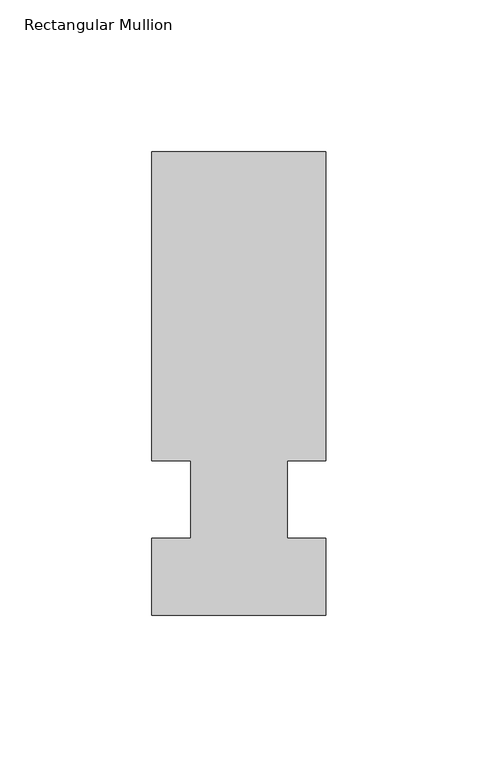
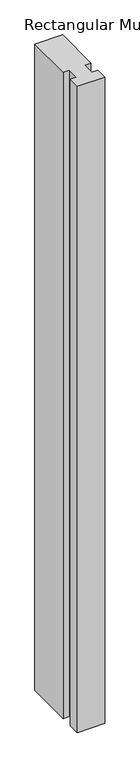
"""IFC4 building model written with IfcOpenShell, lengths in millimetres: member geometry, Rectangular Mullion."""

from ifc_helpers import new_model, si_unit, frame, origin, place, context, project, spatial, polyline, outline, extrude, source, transform, mapped, element, save


def rectangular_mullion_88173244(model_context):
    return source(origin(), model_context, "Body", "SweptSolid", [
        extrude(outline(polyline([(32.9094027, 114.3), (32.9094027, 12.7), (20.2076322, 12.7), (20.2076322, -12.7), (32.9094027, -12.7), (32.9094027, -38.1), (-24.2405973, -38.1), (-24.2405973, -12.7), (-11.5405973, -12.7), (-11.5405973, 12.7), (-24.2405973, 12.7), (-24.2405973, 114.3), (32.9094027, 114.3)])), frame((0.0, 0.0, -1416.1510693), z_axis=(0.0, 0.0, 1.0), x_axis=(1.0, 0.0, 0.0)), (0.0, 0.0, 1.0), 1416.1510693),
    ])


if __name__ == "__main__":
    model = new_model("IFC4")
    model_context = context("Model", 3, world=origin())
    ifc_project = project(units=[si_unit("LENGTHUNIT", "METRE", prefix="MILLI")], contexts=[model_context])
    site = spatial("IfcSite", under=ifc_project)
    building = spatial("IfcBuilding", under=site)
    placement = place(None, origin())
    rectangular_mullion_shape = rectangular_mullion_88173244(model_context)
    element("IfcMember", 1, ObjectType="Rectangular Mullion", at=placement, inside=building, context=model_context, shape_type="MappedRepresentation", body=[
        mapped(rectangular_mullion_shape, transform((0.0, 0.0, 0.0), x_axis=(1.0, 0.0, 0.0), y_axis=(0.0, 1.0, 0.0), z_axis=(0.0, 0.0, 1.0))),
    ])
    save(model, "model.ifc")
